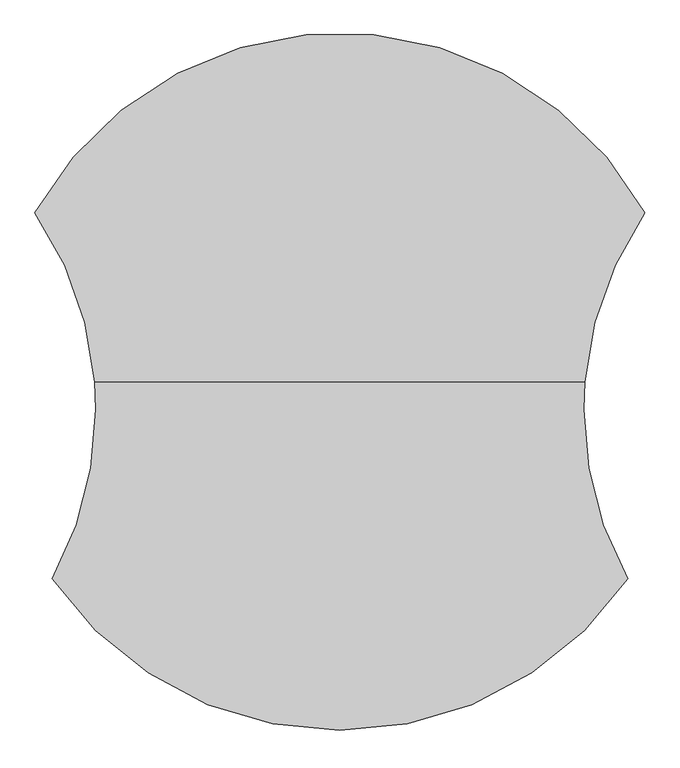
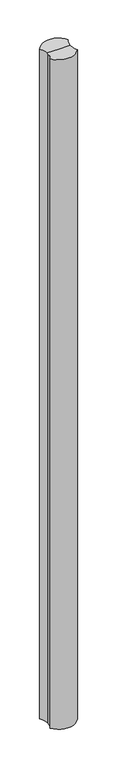
"""IFC4 building model written with IfcOpenShell, lengths in millimetres: column geometry."""

from ifc_helpers import new_model, si_unit, frame, origin, place, context, project, spatial, polyline, circle_curve, source, transform, mapped, element, save
from ifc_brep_helpers import plane_surface, cylinder_surface, revolved_surface, advanced_brep


def column_fede5df6(model_context):
    return source(origin(), model_context, "Body", "AdvancedBrep", [
        advanced_brep(
        [(351.6025682, 0.0, -23760.0), (0.0, 0.0, -23760.0), (-351.6025682, 0.0, -23760.0), (-437.34544, 242.3405994, -23760.0), (437.34544, 242.3405994, -23760.0), (350.0, -40.0, -23760.0), (412.65456, -282.3405994, -23760.0), (-412.65456, -282.3405994, -23760.0), (-350.0, -40.0, -23760.0), (-350.0, -40.0, -2150.5680975), (-351.6025682, 0.0, -2150.5680975), (-437.34544, 242.3405994, -2150.5680975), (437.34544, 242.3405994, -2150.5680975), (350.0, -40.0, -2150.5680975), (351.6025682, 0.0, -2150.5680975), (412.65456, -282.3405994, -2150.5680975), (-412.65456, -282.3405994, -2150.5680975), (0.0, 0.0, -2150.5680975)],
        [
            (0, 1),
            (1, 2),
            (2, 3, circle_curve(frame((-850.0, -40.0, -23760.0), z_axis=(0.0, 0.0, 1.0), x_axis=(-1.0, 0.0, 0.0)), 500.0)),
            (3, 4, circle_curve(frame((0.0, 0.0, -23760.0), z_axis=(0.0, 0.0, -1.0), x_axis=(1.0, 0.0, 0.0)), 500.0)),
            (4, 0, circle_curve(frame((850.0, -40.0, -23760.0), z_axis=(0.0, 0.0, 1.0), x_axis=(1.0, 0.0, 0.0)), 500.0)),
            (0, 5, circle_curve(frame((850.0, -40.0, -23760.0), z_axis=(0.0, 0.0, 1.0), x_axis=(1.0, 0.0, 0.0)), 500.0)),
            (5, 6, circle_curve(frame((850.0, -40.0, -23760.0), z_axis=(0.0, 0.0, 1.0), x_axis=(1.0, 0.0, 0.0)), 500.0)),
            (6, 7, circle_curve(frame((0.0, 0.0, -23760.0), z_axis=(0.0, 0.0, -1.0), x_axis=(1.0, 0.0, 0.0)), 500.0)),
            (7, 8, circle_curve(frame((-850.0, -40.0, -23760.0), z_axis=(0.0, 0.0, 1.0), x_axis=(-1.0, 0.0, 0.0)), 500.0)),
            (8, 2, circle_curve(frame((-850.0, -40.0, -23760.0), z_axis=(0.0, 0.0, 1.0), x_axis=(-1.0, 0.0, 0.0)), 500.0)),
            (8, 9),
            (9, 10, circle_curve(frame((-850.0, -40.0, -2150.5680975), z_axis=(0.0, 0.0, 1.0), x_axis=(-1.0, 0.0, 0.0)), 500.0)),
            (10, 11, circle_curve(frame((-850.0, -40.0, -2150.5680975), z_axis=(0.0, 0.0, 1.0), x_axis=(-1.0, 0.0, 0.0)), 500.0)),
            (11, 3),
            (12, 4),
            (11, 12, circle_curve(frame((0.0, 0.0, -2150.5680975), z_axis=(0.0, 0.0, -1.0), x_axis=(1.0, 0.0, 0.0)), 500.0)),
            (13, 5),
            (12, 14, circle_curve(frame((850.0, -40.0, -2150.5680975), z_axis=(0.0, 0.0, 1.0), x_axis=(1.0, 0.0, 0.0)), 500.0)),
            (14, 13, circle_curve(frame((850.0, -40.0, -2150.5680975), z_axis=(0.0, 0.0, 1.0), x_axis=(1.0, 0.0, 0.0)), 500.0)),
            (13, 15, circle_curve(frame((850.0, -40.0, -2150.5680975), z_axis=(0.0, 0.0, 1.0), x_axis=(1.0, 0.0, 0.0)), 500.0)),
            (15, 6),
            (15, 16, circle_curve(frame((0.0, 0.0, -2150.5680975), z_axis=(0.0, 0.0, -1.0), x_axis=(1.0, 0.0, 0.0)), 500.0)),
            (16, 7),
            (16, 9, circle_curve(frame((-850.0, -40.0, -2150.5680975), z_axis=(0.0, 0.0, 1.0), x_axis=(-1.0, 0.0, 0.0)), 500.0)),
            (17, 14),
            (10, 17),
        ],
        [
            plane_surface(frame((0.0, 0.0, -23760.0), z_axis=(0.0, 0.0, -1.0), x_axis=(1.0, 0.0, 0.0))),
            revolved_surface(polyline([(-1350.0, -40.0, -23760.0), (-1350.0, -40.0, -2150.5680975)]), (-850.0, -40.0, 287.8319025), (0.0, 0.0, -1.0)),
            cylinder_surface(frame((0.0, 0.0, -1947.5115888), z_axis=(0.0, 0.0, 1.0), x_axis=(1.0, 0.0, 0.0)), 500.0),
            revolved_surface(polyline([(1350.0, -40.0, -2150.5680975), (1350.0, -40.0, -23760.0)]), (850.0, -40.0, 287.8319025), (0.0, 0.0, 1.0)),
            plane_surface(frame((0.0, 0.0, -2150.5680975), z_axis=(0.0, 0.0, 1.0), x_axis=(1.0, 0.0, 0.0))),
        ],
        [
            (0, [[1, 2, 3, 4, 5]]),
            (0, [[-1, 6, 7, 8, 9, 10, -2]]),
            (1, [[11, 12, 13, 14, -3, -10]]),
            (2, [[15, -4, -14, 16]]),
            (3, [[17, -6, -5, -15, 18, 19]]),
            (3, [[-17, 20, 21, -7]]),
            (2, [[-21, 22, 23, -8]]),
            (1, [[-11, -9, -23, 24]]),
            (4, [[25, -18, -16, -13, 26]]),
            (4, [[-25, -26, -12, -24, -22, -20, -19]]),
        ],
    ),
    ])


if __name__ == "__main__":
    model = new_model("IFC4")
    model_context = context("Model", 3, world=origin())
    ifc_project = project(units=[si_unit("LENGTHUNIT", "METRE", prefix="MILLI")], contexts=[model_context])
    site = spatial("IfcSite", under=ifc_project)
    building = spatial("IfcBuilding", under=site)
    placement = place(None, origin())
    column_shape = column_fede5df6(model_context)
    element("IfcColumn", 1, at=placement, inside=building, context=model_context, shape_type="MappedRepresentation", body=[
        mapped(column_shape, transform((0.0, 0.0, 0.0), x_axis=(1.0, 0.0, 0.0), y_axis=(0.0, 1.0, 0.0), z_axis=(0.0, 0.0, 1.0))),
    ])
    save(model, "model.ifc")
